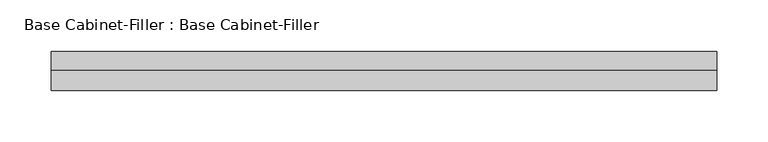
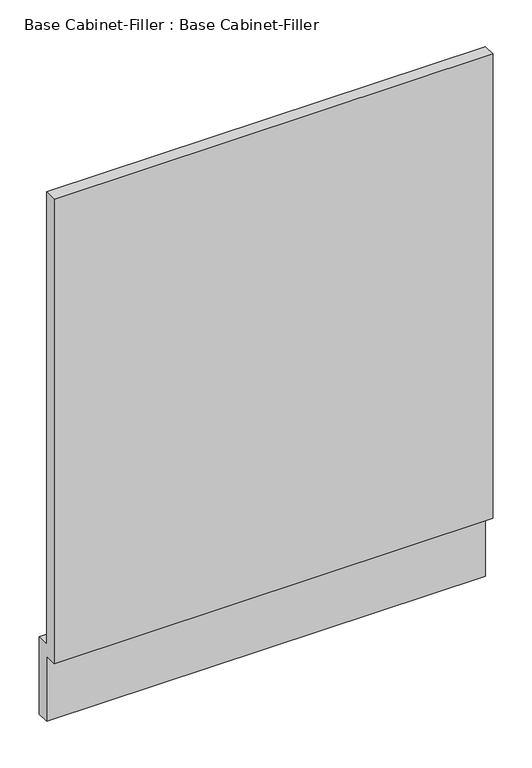
"""IFC4 building model written with IfcOpenShell, lengths in millimetres: furniture geometry, Base Cabinet-Filler : Base Cabinet-Filler."""

from ifc_helpers import new_model, si_unit, frame, origin, place, context, project, spatial, polyline, outline, extrude, source, transform, mapped, element, save


def base_cabinet_filler_base_cabinet_filler_5ebb0971(model_context):
    return source(origin(), model_context, "Body", "SweptSolid", [
        extrude(outline(polyline([(-590.55, 101.6), (-590.55, 825.5), (-571.5, 825.5), (-571.5, 120.65), (-552.45, 120.65), (-552.45, 0.0), (-571.5, 0.0), (-571.5, 101.6), (-590.55, 101.6)])), frame((-304.9317885, 0.0, 0.0), z_axis=(1.0, 0.0, 0.0), x_axis=(0.0, 1.0, 0.0)), (0.0, 0.0, 1.0), 647.3389868),
    ])


if __name__ == "__main__":
    model = new_model("IFC4")
    model_context = context("Model", 3, world=origin())
    ifc_project = project(units=[si_unit("LENGTHUNIT", "METRE", prefix="MILLI")], contexts=[model_context])
    site = spatial("IfcSite", under=ifc_project)
    building = spatial("IfcBuilding", under=site)
    placement = place(None, origin())
    base_cabinet_filler_base_cabinet_filler_shape = base_cabinet_filler_base_cabinet_filler_5ebb0971(model_context)
    element("IfcFurniture", 1, ObjectType="Base Cabinet-Filler : Base Cabinet-Filler", at=placement, inside=building, context=model_context, shape_type="MappedRepresentation", body=[
        mapped(base_cabinet_filler_base_cabinet_filler_shape, transform((0.0, 0.0, 0.0), x_axis=(1.0, 0.0, 0.0), y_axis=(0.0, 1.0, 0.0), z_axis=(0.0, 0.0, 1.0))),
    ])
    save(model, "model.ifc")
